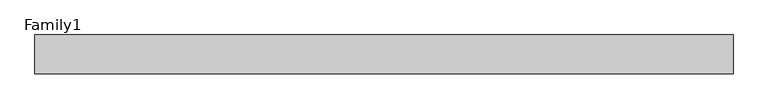
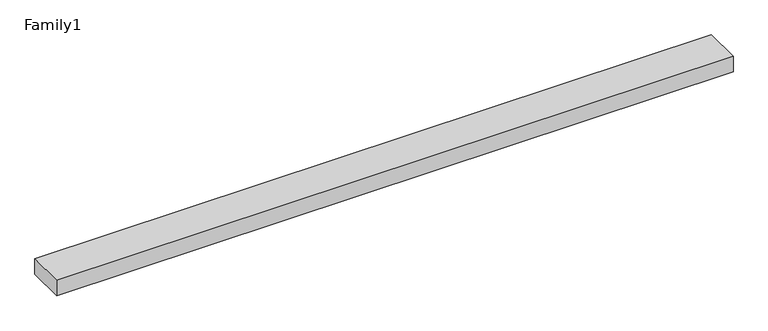
"""IFC4 building model written with IfcOpenShell, lengths in millimetres: proxy geometry, Family1."""

from ifc_helpers import new_model, si_unit, origin, origin_with_axes, place, context, project, spatial, polyline, outline, extrude, source, transform, mapped, element, save


def family1_a3c32785(model_context):
    return source(origin(), model_context, "Body", "SweptSolid", [
        extrude(outline(polyline([(90000.0, 0.0), (0.0, 0.0), (0.0, 5000.0), (90000.0, 5000.0), (90000.0, 0.0)])), origin_with_axes(), (0.0, 0.0, 1.0), 2156.0),
    ])


if __name__ == "__main__":
    model = new_model("IFC4")
    model_context = context("Model", 3, world=origin())
    ifc_project = project(units=[si_unit("LENGTHUNIT", "METRE", prefix="MILLI")], contexts=[model_context])
    site = spatial("IfcSite", under=ifc_project)
    building = spatial("IfcBuilding", under=site)
    placement = place(None, origin())
    family1_shape = family1_a3c32785(model_context)
    element("IfcBuildingElementProxy", 1, Name="Family1", ObjectType="Family1", at=placement, inside=building, context=model_context, shape_type="MappedRepresentation", body=[
        mapped(family1_shape, transform((0.0, 0.0, 0.0), x_axis=(1.0, 0.0, 0.0), y_axis=(0.0, 1.0, 0.0), z_axis=(0.0, 0.0, 1.0))),
    ])
    save(model, "model.ifc")
